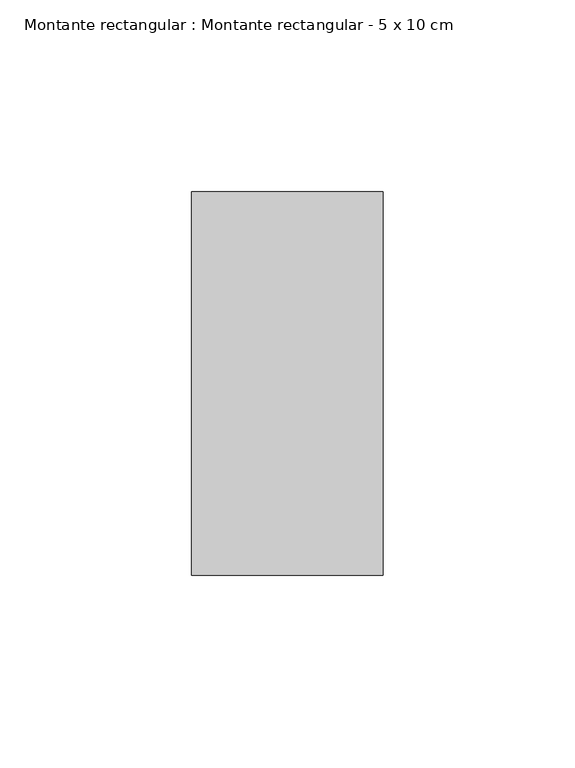
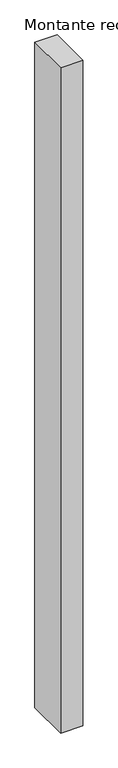
"""IFC4 building model written with IfcOpenShell, lengths in millimetres: member geometry, Montante rectangular : Montante rectangular - 5 x 10 cm."""

from ifc_helpers import new_model, si_unit, frame, origin, place, context, project, spatial, polyline, outline, extrude, source, transform, mapped, element, save


def montante_rectangular_montante_rectangular_5_x_10_cm_2508bac6(model_context):
    return source(origin(), model_context, "Body", "SweptSolid", [
        extrude(outline(polyline([(-50.0, 50.0), (0.0, 50.0), (0.0, -50.0), (-50.0, -50.0), (-50.0, 50.0)])), frame((0.0, 0.0, -1584.7728258), z_axis=(0.0, 0.0, 1.0), x_axis=(1.0, 0.0, 0.0)), (0.0, 0.0, 1.0), 1584.7728258),
    ])


if __name__ == "__main__":
    model = new_model("IFC4")
    model_context = context("Model", 3, world=origin())
    ifc_project = project(units=[si_unit("LENGTHUNIT", "METRE", prefix="MILLI")], contexts=[model_context])
    site = spatial("IfcSite", under=ifc_project)
    building = spatial("IfcBuilding", under=site)
    placement = place(None, origin())
    montante_rectangular_montante_rectangular_5_x_10_cm_shape = montante_rectangular_montante_rectangular_5_x_10_cm_2508bac6(model_context)
    element("IfcMember", 1, ObjectType="Montante rectangular : Montante rectangular - 5 x 10 cm", at=placement, inside=building, context=model_context, shape_type="MappedRepresentation", body=[
        mapped(montante_rectangular_montante_rectangular_5_x_10_cm_shape, transform((0.0, 0.0, 0.0), x_axis=(1.0, 0.0, 0.0), y_axis=(0.0, 1.0, 0.0), z_axis=(0.0, 0.0, 1.0))),
    ])
    save(model, "model.ifc")
